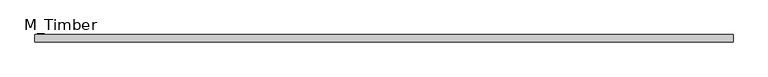
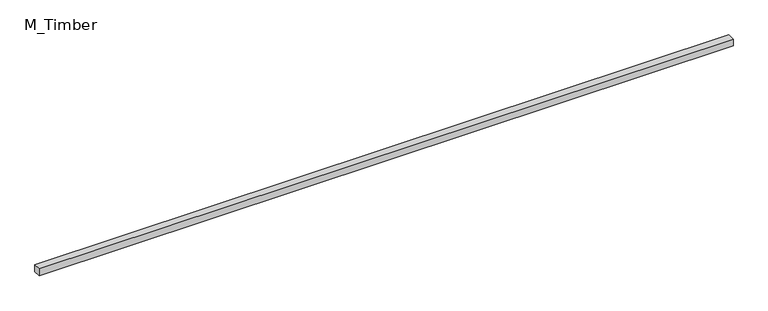
"""IFC4 building model written with IfcOpenShell, lengths in millimetres: beam geometry, M_Timber."""

from ifc_helpers import new_model, si_unit, frame, origin, place, context, project, spatial, polyline, outline, extrude, source, transform, mapped, element, save


def m_timber_df6520c8(model_context):
    return source(origin(), model_context, "Body", "SweptSolid", [
        extrude(outline(polyline([(1910.1049313, 20.0), (1910.1049313, -20.0), (-1910.1049313, -20.0), (-1910.1049313, 20.0), (1910.1049313, 20.0)])), frame((0.0, 0.0, -20.0), z_axis=(0.0, 0.0, 1.0), x_axis=(1.0, 0.0, 0.0)), (0.0, 0.0, 1.0), 40.0),
    ])


if __name__ == "__main__":
    model = new_model("IFC4")
    model_context = context("Model", 3, world=origin())
    ifc_project = project(units=[si_unit("LENGTHUNIT", "METRE", prefix="MILLI")], contexts=[model_context])
    site = spatial("IfcSite", under=ifc_project)
    building = spatial("IfcBuilding", under=site)
    placement = place(None, origin())
    m_timber_shape = m_timber_df6520c8(model_context)
    element("IfcBeam", 1, ObjectType="M_Timber", at=placement, inside=building, context=model_context, shape_type="MappedRepresentation", body=[
        mapped(m_timber_shape, transform((0.0, 0.0, 0.0), x_axis=(1.0, 0.0, 0.0), y_axis=(0.0, 1.0, 0.0), z_axis=(0.0, 0.0, 1.0))),
    ])
    save(model, "model.ifc")
